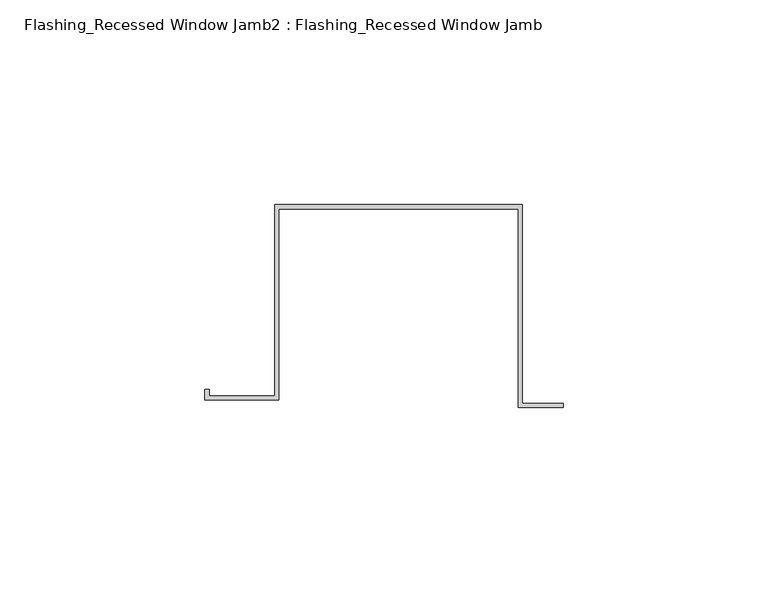
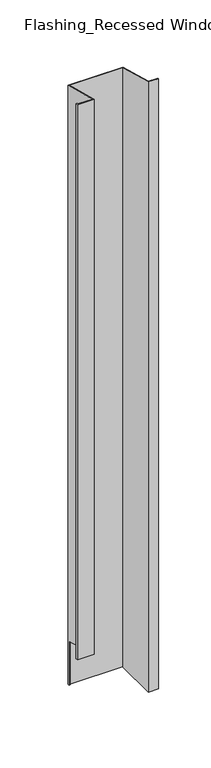
"""IFC4 building model written with IfcOpenShell, lengths in millimetres: proxy geometry, Flashing_Recessed Window Jamb2 : Flashing_Recessed Window Jamb."""

from ifc_helpers import new_model, si_unit, origin, place, context, project, spatial, faceted_brep, source, transform, mapped, element, save


def flashing_recessed_window_jamb2_flashing_recessed_window_jamb_5fe506a2(model_context):
    return source(origin(), model_context, "Body", "Brep", [
        faceted_brep([(9685.8470781, 609.2148812, -1036.7382524), (9685.8470781, 657.7344915, -1036.7382524), (9627.4791786, 657.7344915, -1036.7382524), (9627.4791786, 656.8026399, -1036.7382524), (9626.4791786, 656.8026399, -1036.7382524), (9626.4791786, 658.7344915, -1036.7382524), (9686.8470781, 658.7344915, -1036.7382524), (9686.8470781, 610.2148812, -1036.7382524), (9696.8470781, 610.2148812, -1036.7382524), (9696.8470781, 609.2148812, -1036.7382524), (9686.8470781, 658.7344915, -343.2151173), (9686.8470781, 610.2148812, -330.2143269), (9626.4791786, 658.7344915, -343.2151173), (9626.4791786, 656.8026399, -985.662203), (9626.4791786, 612.0490096, -973.6705039), (9626.4791786, 612.0490096, -330.7057801), (9610.4479286, 612.0490096, -330.7057801), (9610.4479286, 612.0490096, -973.6705039), (9610.4479286, 613.5934881, -331.1196219), (9610.4479286, 613.5934881, -974.0843457), (9609.4479286, 613.5934881, -331.1196219), (9609.4479286, 613.5934881, -974.0843457), (9609.4479286, 611.0490096, -330.4378309), (9609.4479286, 611.0490096, -973.4025548), (9627.4791786, 611.0490096, -330.4378309), (9627.4791786, 611.0490096, -973.4025548), (9627.4791786, 657.7344915, -342.9471681), (9627.4791786, 656.8026399, -985.662203), (9685.8470781, 657.7344915, -342.9471681), (9685.8470781, 609.2148812, -329.9463777), (9696.8470781, 609.2148812, -329.9463777), (9696.8470781, 610.2148812, -330.2143269)], [[[0, 1, 2, 3, 4, 5, 6, 7, 8, 9]], [[7, 6, 10, 11]], [[6, 5, 12, 10]], [[12, 5, 4, 13, 14, 15]], [[16, 15, 14, 17]], [[18, 16, 17, 19]], [[20, 18, 19, 21]], [[22, 20, 21, 23]], [[24, 22, 23, 25]], [[2, 26, 24, 25, 27, 3]], [[2, 1, 28, 26]], [[1, 0, 29, 28]], [[0, 9, 30, 29]], [[9, 8, 31, 30]], [[8, 7, 11, 31]], [[11, 10, 12, 15, 16, 18, 20, 22, 24, 26, 28, 29, 30, 31]], [[13, 27, 25, 23, 21, 19, 17, 14]], [[27, 13, 4, 3]]]),
    ])


if __name__ == "__main__":
    model = new_model("IFC4")
    model_context = context("Model", 3, world=origin())
    ifc_project = project(units=[si_unit("LENGTHUNIT", "METRE", prefix="MILLI")], contexts=[model_context])
    site = spatial("IfcSite", under=ifc_project)
    building = spatial("IfcBuilding", under=site)
    placement = place(None, origin())
    flashing_recessed_window_jamb2_flashing_recessed_window_jamb_shape = flashing_recessed_window_jamb2_flashing_recessed_window_jamb_5fe506a2(model_context)
    element("IfcBuildingElementProxy", 1, Name="Flashing_Recessed Window Jamb2 : Flashing_Recessed Window Jamb", ObjectType="Flashing_Recessed Window Jamb2 : Flashing_Recessed Window Jamb", at=placement, inside=building, context=model_context, shape_type="MappedRepresentation", body=[
        mapped(flashing_recessed_window_jamb2_flashing_recessed_window_jamb_shape, transform((0.0, 0.0, 0.0), x_axis=(1.0, 0.0, 0.0), y_axis=(0.0, 1.0, 0.0), z_axis=(0.0, 0.0, 1.0))),
    ])
    save(model, "model.ifc")
